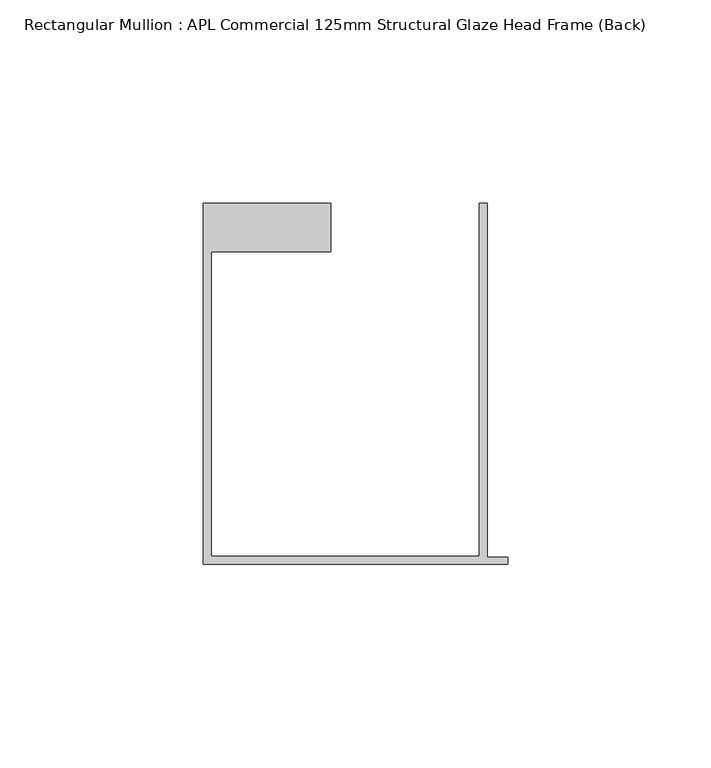
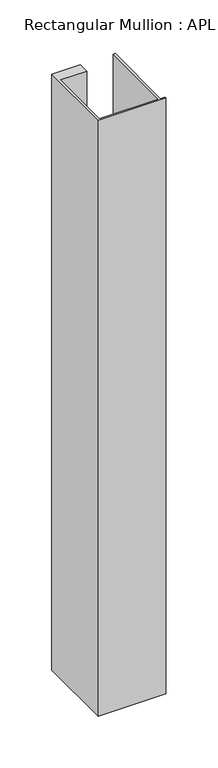
"""IFC4 building model written with IfcOpenShell, lengths in millimetres: member geometry, Rectangular Mullion : APL Commercial 125mm Structural Glaze Head Frame (Back)."""

from ifc_helpers import new_model, si_unit, frame, origin, place, context, project, spatial, polyline, outline, extrude, source, transform, mapped, element, save


def rectangular_mullion_apl_commercial_125mm_structural_glaze_c464dadf(model_context):
    return source(origin(), model_context, "Body", "SweptSolid", [
        extrude(outline(polyline([(-75.0, -103.9993063), (-75.0, -14.9998342), (-43.5000151, -14.9998342), (-43.5000151, -26.9997514), (-73.0, -26.9997514), (-73.0, -101.9993063), (-7.0, -101.9993063), (-7.0, -14.9998342), (-5.0, -14.9998342), (-5.0, -102.1993063), (0.0, -102.1993063), (0.0, -103.9993063), (-75.0, -103.9993063)])), frame((0.0, 0.0, -699.3627597), z_axis=(0.0, 0.0, 1.0), x_axis=(1.0, 0.0, 0.0)), (0.0, 0.0, 1.0), 699.3627597),
    ])


if __name__ == "__main__":
    model = new_model("IFC4")
    model_context = context("Model", 3, world=origin())
    ifc_project = project(units=[si_unit("LENGTHUNIT", "METRE", prefix="MILLI")], contexts=[model_context])
    site = spatial("IfcSite", under=ifc_project)
    building = spatial("IfcBuilding", under=site)
    placement = place(None, origin())
    rectangular_mullion_apl_commercial_125mm_structural_glaze_shape = rectangular_mullion_apl_commercial_125mm_structural_glaze_c464dadf(model_context)
    element("IfcMember", 1, ObjectType="Rectangular Mullion : APL Commercial 125mm Structural Glaze Head Frame (Back)", at=placement, inside=building, context=model_context, shape_type="MappedRepresentation", body=[
        mapped(rectangular_mullion_apl_commercial_125mm_structural_glaze_shape, transform((0.0, 0.0, 0.0), x_axis=(1.0, 0.0, 0.0), y_axis=(0.0, 1.0, 0.0), z_axis=(0.0, 0.0, 1.0))),
    ])
    save(model, "model.ifc")
